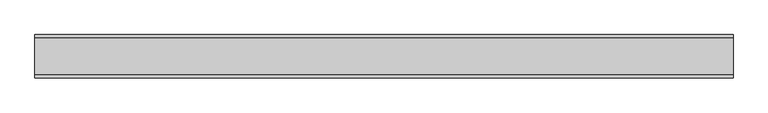
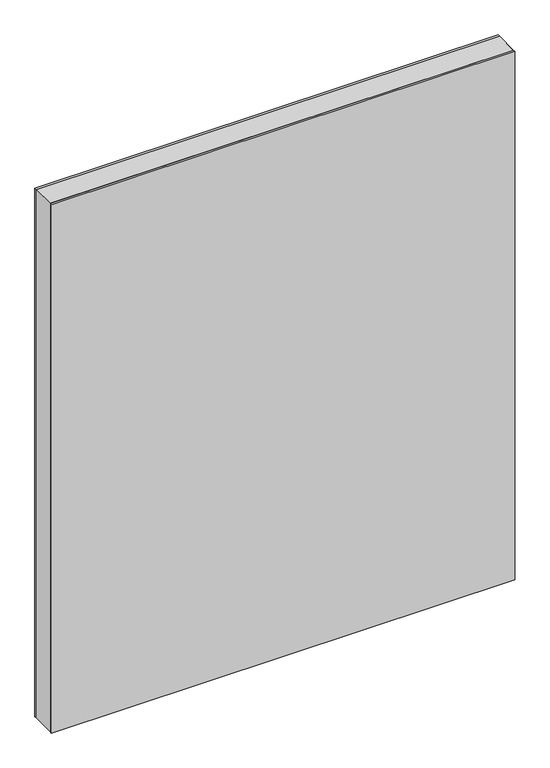
"""IFC4 building model written with IfcOpenShell, lengths in millimetres: plate geometry."""

from ifc_helpers import new_model, si_unit, frame, origin, origin_with_axes, place, context, project, spatial, polyline, outline, extrude, source, transform, mapped, element, save


def plate_b21ee51c(model_context):
    return source(origin(), model_context, "Body", "SweptSolid", [
        extrude(outline(polyline([(1451.75, -602.1874999), (0.0, -602.1874999), (0.0, 602.1874999), (1451.75, 602.1874999), (1451.75, -602.1874999)]), holes=[polyline([(1450.75, -601.1874999), (1450.75, 601.1874999), (1.0, 601.1874999), (1.0, -601.1874999), (1450.75, -601.1874999)])]), frame((0.0, -31.2, 0.0), z_axis=(0.0, 1.0, 0.0), x_axis=(0.0, 0.0, 1.0)), (0.0, 0.0, 1.0), 62.4),
        extrude(outline(polyline([(602.1874999, 31.2), (-602.1874999, 31.2), (-602.1874999, 37.2), (602.1874999, 37.2), (602.1874999, 31.2)])), origin_with_axes(), (0.0, 0.0, 1.0), 1451.75),
        extrude(outline(polyline([(-602.1874999, -37.2), (-602.1874999, -31.2), (602.1874999, -31.2), (602.1874999, -37.2), (-602.1874999, -37.2)])), origin_with_axes(), (0.0, 0.0, 1.0), 1451.75),
    ])


if __name__ == "__main__":
    model = new_model("IFC4")
    model_context = context("Model", 3, world=origin())
    ifc_project = project(units=[si_unit("LENGTHUNIT", "METRE", prefix="MILLI")], contexts=[model_context])
    site = spatial("IfcSite", under=ifc_project)
    building = spatial("IfcBuilding", under=site)
    placement = place(None, origin())
    plate_shape = plate_b21ee51c(model_context)
    element("IfcPlate", 1, at=placement, inside=building, context=model_context, shape_type="MappedRepresentation", body=[
        mapped(plate_shape, transform((0.0, 0.0, 0.0), x_axis=(1.0, 0.0, 0.0), y_axis=(0.0, 1.0, 0.0), z_axis=(0.0, 0.0, 1.0))),
    ])
    save(model, "model.ifc")
